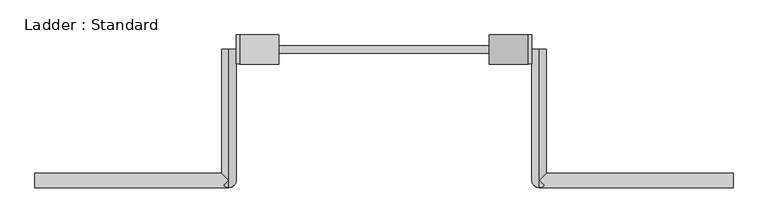
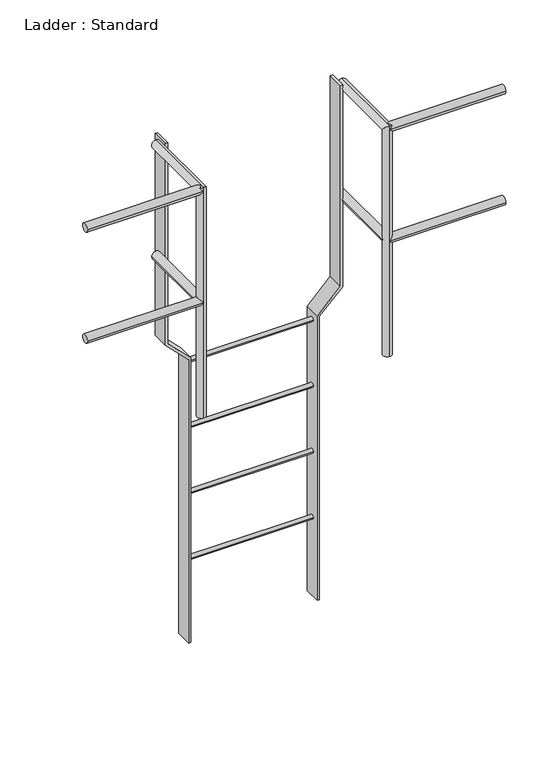
"""IFC4 building model written with IfcOpenShell, lengths in millimetres: proxy geometry, Ladder : Standard."""

from ifc_helpers import new_model, si_unit, point, frame, frame_2d, origin, place, context, project, spatial, polyline, circle_curve, ellipse_curve, trimmed, segment, composite_curve, outline, extrude, source, transform, mapped, element, save
from ifc_brep_helpers import plane_surface, cylinder_surface, advanced_brep


def ladder_standard_509f3155(model_context):
    return source(origin(), model_context, "Body", "SolidModel", [
        extrude(outline(composite_curve([segment(trimmed(circle_curve(frame_2d((342.9, -914.4)), 9.525), [point((333.375, -914.4))], [point((352.425, -914.4))], False, "CARTESIAN"), True, "CONTINUOUS"), segment(trimmed(circle_curve(frame_2d((342.9, -914.4)), 9.525), [point((352.425, -914.4))], [point((333.375, -914.4))], False, "CARTESIAN"), True, "CONTINUOUS")], self_intersect=False)), frame((-276.3329351, 0.0, 0.0), z_axis=(1.0, 0.0, 0.0), x_axis=(0.0, 1.0, 0.0)), (0.0, 0.0, 1.0), 552.6658703),
        extrude(outline(composite_curve([segment(trimmed(circle_curve(frame_2d((342.9, -609.6)), 9.525), [point((333.375, -609.6))], [point((352.425, -609.6))], False, "CARTESIAN"), True, "CONTINUOUS"), segment(trimmed(circle_curve(frame_2d((342.9, -609.6)), 9.525), [point((352.425, -609.6))], [point((333.375, -609.6))], False, "CARTESIAN"), True, "CONTINUOUS")], self_intersect=False)), frame((-276.3329351, 0.0, 0.0), z_axis=(1.0, 0.0, 0.0), x_axis=(0.0, 1.0, 0.0)), (0.0, 0.0, 1.0), 552.6658703),
        extrude(outline(composite_curve([segment(trimmed(circle_curve(frame_2d((342.9, -304.8)), 9.525), [point((333.375, -304.8))], [point((352.425, -304.8))], False, "CARTESIAN"), True, "CONTINUOUS"), segment(trimmed(circle_curve(frame_2d((342.9, -304.8)), 9.525), [point((352.425, -304.8))], [point((333.375, -304.8))], False, "CARTESIAN"), True, "CONTINUOUS")], self_intersect=False)), frame((-276.3329351, 0.0, 0.0), z_axis=(1.0, 0.0, 0.0), x_axis=(0.0, 1.0, 0.0)), (0.0, 0.0, 1.0), 552.6658703),
        extrude(outline(composite_curve([segment(trimmed(circle_curve(frame_2d((342.9, 0.0)), 9.525), [point((333.375, 0.0))], [point((352.425, 0.0))], False, "CARTESIAN"), True, "CONTINUOUS"), segment(trimmed(circle_curve(frame_2d((342.9, 0.0)), 9.525), [point((352.425, 0.0))], [point((333.375, 0.0))], False, "CARTESIAN"), True, "CONTINUOUS")], self_intersect=False)), frame((-276.3329351, 0.0, 0.0), z_axis=(1.0, 0.0, 0.0), x_axis=(0.0, 1.0, 0.0)), (0.0, 0.0, 1.0), 552.6658703),
        advanced_brep(
        [(387.4579351, 342.9, 533.4), (425.5579351, 342.9, 533.4), (425.5579351, 19.05, 533.4), (419.9783193, 13.4703842, 519.9296158), (406.5079351, 19.05, 514.35), (387.4579351, 0.0, 533.4), (406.5079351, 19.05, 552.45), (419.9783193, 13.4703842, 546.8703842), (914.5079351, -19.05, 533.4), (914.5079351, 19.05, 533.4), (406.5079351, -19.05, 533.4), (406.5079351, 19.05, 0.0), (406.5079351, -19.05, 0.0), (406.5079351, 19.05, 1028.7), (419.9783193, 13.4703842, 1034.2796158), (406.5079351, -19.05, 1047.75), (419.9783193, -13.4703842, 1061.2203842), (406.5079351, -19.05, 1066.8), (406.5079351, 342.9, 1028.7), (406.5079351, 342.9, 1066.8), (406.5079351, 0.0, 1066.8), (425.5579351, 19.05, 1047.75), (914.5079351, -19.05, 1047.75), (914.5079351, 19.05, 1047.75)],
        [
            (0, 1, circle_curve(frame((406.5079351, 342.9, 533.4), z_axis=(0.0, 1.0, 0.0), x_axis=(1.0, 0.0, 0.0)), 19.05)),
            (1, 0, circle_curve(frame((406.5079351, 342.9, 533.4), z_axis=(0.0, 1.0, 0.0), x_axis=(1.0, 0.0, 0.0)), 19.05)),
            (1, 2),
            (2, 3, ellipse_curve(frame((406.5079351, 0.0, 533.4), z_axis=(-0.7071067811865459, 0.7071067811865492, 0.0), x_axis=(-0.7071067811865492, -0.7071067811865457, 0.0)), 26.9407684, 19.05)),
            (3, 4, ellipse_curve(frame((406.5079351, 0.0, 533.4), z_axis=(0.0, 0.7071067811865475, 0.7071067811865475), x_axis=(0.0, -0.7071067811865476, 0.7071067811865474)), 26.9407684, 19.05)),
            (4, 5, ellipse_curve(frame((406.5079351, 0.0, 533.4), z_axis=(0.0, 0.7071067811865475, 0.7071067811865475), x_axis=(0.0, -0.7071067811865476, 0.7071067811865474)), 26.9407684, 19.05)),
            (5, 0),
            (5, 6, ellipse_curve(frame((406.5079351, 0.0, 533.4), z_axis=(0.0, 0.7071067811865475, -0.7071067811865475), x_axis=(0.0, -0.7071067811865476, -0.7071067811865474)), 26.9407684, 19.05)),
            (6, 7, ellipse_curve(frame((406.5079351, 0.0, 533.4), z_axis=(0.0, 0.7071067811865475, -0.7071067811865475), x_axis=(0.0, -0.7071067811865476, -0.7071067811865474)), 26.9407684, 19.05)),
            (7, 2, ellipse_curve(frame((406.5079351, 0.0, 533.4), z_axis=(-0.7071067811865459, 0.7071067811865492, 0.0), x_axis=(-0.7071067811865492, -0.7071067811865457, 0.0)), 26.9407684, 19.05)),
            (8, 9, circle_curve(frame((914.5079351, 0.0, 533.4), z_axis=(1.0, 0.0, 0.0), x_axis=(0.0, 1.0, 0.0)), 19.05)),
            (9, 8, circle_curve(frame((914.5079351, 0.0, 533.4), z_axis=(1.0, 0.0, 0.0), x_axis=(0.0, 1.0, 0.0)), 19.05)),
            (8, 10),
            (10, 3, ellipse_curve(frame((406.5079351, 0.0, 533.4), z_axis=(0.7071067811865475, 0.0, 0.7071067811865476), x_axis=(0.7071067811865476, 0.0, -0.7071067811865474)), 26.9407684, 19.05)),
            (2, 9),
            (7, 10, ellipse_curve(frame((406.5079351, 0.0, 533.4), z_axis=(0.7071067811865476, 0.0, -0.7071067811865475), x_axis=(0.7071067811865474, 0.0, 0.7071067811865476)), 26.9407684, 19.05)),
            (11, 12, circle_curve(frame((406.5079351, 0.0, 0.0), z_axis=(0.0, 0.0, -1.0), x_axis=(0.0, -1.0, 0.0)), 19.05)),
            (12, 11, circle_curve(frame((406.5079351, 0.0, 0.0), z_axis=(0.0, 0.0, -1.0), x_axis=(0.0, -1.0, 0.0)), 19.05)),
            (11, 4),
            (10, 12),
            (6, 13),
            (13, 14, ellipse_curve(frame((406.5079351, 0.0, 1047.75), z_axis=(0.0, -0.7071067811865475, -0.7071067811865475), x_axis=(0.0, 0.7071067811865474, -0.7071067811865476)), 26.9407684, 19.05)),
            (14, 15, ellipse_curve(frame((406.5079351, 0.0, 1047.75), z_axis=(-0.7071067811865475, 0.0, -0.7071067811865476), x_axis=(0.7071067811865476, 0.0, -0.7071067811865474)), 26.9407684, 19.05)),
            (15, 10),
            (16, 17, ellipse_curve(frame((406.5079351, 0.0, 1047.75), z_axis=(0.0, -0.7071067811865475, -0.7071067811865475), x_axis=(0.0, 0.7071067811865474, -0.7071067811865476)), 26.9407684, 19.05)),
            (17, 15),
            (15, 16, ellipse_curve(frame((406.5079351, 0.0, 1047.75), z_axis=(-0.7071067811865476, 0.0, 0.7071067811865475), x_axis=(-0.7071067811865474, 0.0, -0.7071067811865476)), 26.9407684, 19.05)),
            (17, 13, ellipse_curve(frame((406.5079351, 0.0, 1047.75), z_axis=(0.0, -0.7071067811865475, -0.7071067811865475), x_axis=(0.0, 0.7071067811865474, -0.7071067811865476)), 26.9407684, 19.05)),
            (18, 19, circle_curve(frame((406.5079351, 342.9, 1047.75), z_axis=(0.0, 1.0, 0.0), x_axis=(0.0, 0.0, 1.0)), 19.05)),
            (19, 18, circle_curve(frame((406.5079351, 342.9, 1047.75), z_axis=(0.0, 1.0, 0.0), x_axis=(0.0, 0.0, 1.0)), 19.05)),
            (16, 20, ellipse_curve(frame((406.5079351, 0.0, 1047.75), z_axis=(-0.7071067811865508, -0.7071067811865441, 0.0), x_axis=(0.7071067811865441, -0.7071067811865509, 0.0)), 26.9407684, 19.05)),
            (20, 17),
            (19, 20),
            (20, 21, ellipse_curve(frame((406.5079351, 0.0, 1047.75), z_axis=(-0.7071067811865441, 0.7071067811865508, 0.0), x_axis=(-0.7071067811865507, -0.7071067811865442, 0.0)), 26.9407684, 19.05)),
            (21, 14, ellipse_curve(frame((406.5079351, 0.0, 1047.75), z_axis=(-0.7071067811865441, 0.7071067811865508, 0.0), x_axis=(-0.7071067811865507, -0.7071067811865442, 0.0)), 26.9407684, 19.05)),
            (13, 18),
            (22, 23, circle_curve(frame((914.5079351, 0.0, 1047.75), z_axis=(1.0, 0.0, 0.0), x_axis=(0.0, 1.0, 0.0)), 19.05)),
            (23, 22, circle_curve(frame((914.5079351, 0.0, 1047.75), z_axis=(1.0, 0.0, 0.0), x_axis=(0.0, 1.0, 0.0)), 19.05)),
            (22, 15),
            (21, 23),
        ],
        [
            plane_surface(frame((425.5579351, 342.9, 533.4), z_axis=(0.0, 1.0, 0.0), x_axis=(0.0, 0.0, -1.0))),
            cylinder_surface(frame((406.5079351, 342.9, 533.4), z_axis=(0.0, -1.0, 0.0), x_axis=(1.0, 0.0, 0.0)), 19.05),
            plane_surface(frame((914.5079351, 19.05, 533.4), z_axis=(1.0, 0.0, 0.0), x_axis=(0.0, 0.0, 1.0))),
            cylinder_surface(frame((406.5079351, 0.0, 533.4), z_axis=(1.0, 0.0, 0.0), x_axis=(0.0, 1.0, 0.0)), 19.05),
            plane_surface(frame((0.0, 0.0, 0.0), z_axis=(0.0, 0.0, -1.0), x_axis=(1.0, 0.0, 0.0))),
            cylinder_surface(frame((406.5079351, 0.0, 0.0), z_axis=(0.0, 0.0, -1.0), x_axis=(0.0, -1.0, 0.0)), 19.05),
            plane_surface(frame((0.0, 342.9, 1047.75), z_axis=(0.0, 1.0, 0.0), x_axis=(1.0, 0.0, 0.0))),
            cylinder_surface(frame((406.5079351, 0.0, 1047.75), z_axis=(0.0, -1.0, 0.0), x_axis=(0.0, 0.0, 1.0)), 19.05),
            plane_surface(frame((914.5079351, 19.05, 1047.75), z_axis=(1.0, 0.0, 0.0), x_axis=(0.0, 0.0, 1.0))),
            cylinder_surface(frame((406.5079351, 0.0, 1047.75), z_axis=(1.0, 0.0, 0.0), x_axis=(0.0, 1.0, 0.0)), 19.05),
        ],
        [
            (0, [[1, 2]]),
            (1, [[-2, 3, 4, 5, 6, 7]]),
            (1, [[-1, -7, 8, 9, 10, -3]]),
            (2, [[11, 12]]),
            (3, [[-11, 13, 14, -4, 15]]),
            (3, [[-12, -15, -10, 16, -13]]),
            (4, [[17, 18]]),
            (5, [[-17, 19, -5, -14, 20]]),
            (5, [[21, 22, 23, 24, -16, -9]]),
            (5, [[25, 26, 27]]),
            (5, [[-18, -20, -24, -26, 28, -21, -8, -6, -19]]),
            (6, [[29, 30]]),
            (7, [[-25, 31, 32]]),
            (7, [[-30, 33, 34, 35, -22, 36]]),
            (7, [[-28, -32, -33, -29, -36]]),
            (8, [[37, 38]]),
            (9, [[-37, 39, -23, -35, 40]]),
            (9, [[-38, -40, -34, -31, -27, -39]]),
        ],
    ),
        advanced_brep(
        [(-914.5079351, -19.05, 533.4), (-914.5079351, 19.05, 533.4), (-425.5579351, 19.05, 533.4), (-419.9783193, 13.4703842, 519.9296158), (-406.5079351, -19.05, 533.4), (-419.9783193, 13.4703842, 546.8703842), (-425.5579351, 342.9, 533.4), (-387.4579351, 342.9, 533.4), (-387.4579351, 0.0, 533.4), (-406.5079351, 19.05, 514.35), (-406.5079351, 19.05, 552.45), (-406.5079351, 19.05, 0.0), (-406.5079351, -19.05, 0.0), (-406.5079351, 19.05, 1028.7), (-406.5079351, -19.05, 1066.8), (-406.5079351, -19.05, 1047.75), (-419.9783193, 13.4703842, 1034.2796158), (-419.9783193, -13.4703842, 1061.2203842), (-406.5079351, 342.9, 1028.7), (-406.5079351, 342.9, 1066.8), (-406.5079351, 0.0, 1066.8), (-425.5579351, 19.05, 1047.75), (-914.5079351, -19.05, 1047.75), (-914.5079351, 19.05, 1047.75)],
        [
            (0, 1, circle_curve(frame((-914.5079351, 0.0, 533.4), z_axis=(-1.0, 0.0, 0.0), x_axis=(0.0, 1.0, 0.0)), 19.05)),
            (1, 0, circle_curve(frame((-914.5079351, 0.0, 533.4), z_axis=(-1.0, 0.0, 0.0), x_axis=(0.0, 1.0, 0.0)), 19.05)),
            (1, 2),
            (2, 3, ellipse_curve(frame((-406.5079351, 0.0, 533.4), z_axis=(-0.7071067811865491, -0.7071067811865458, 0.0), x_axis=(0.7071067811865459, -0.707106781186549, 0.0)), 26.9407684, 19.05)),
            (3, 4, ellipse_curve(frame((-406.5079351, 0.0, 533.4), z_axis=(-0.7071067811865476, 0.0, 0.7071067811865475), x_axis=(0.7071067811865474, 0.0, 0.7071067811865476)), 26.9407684, 19.05)),
            (4, 0),
            (4, 5, ellipse_curve(frame((-406.5079351, 0.0, 533.4), z_axis=(-0.7071067811865475, 0.0, -0.7071067811865476), x_axis=(0.7071067811865476, 0.0, -0.7071067811865474)), 26.9407684, 19.05)),
            (5, 2, ellipse_curve(frame((-406.5079351, 0.0, 533.4), z_axis=(-0.7071067811865491, -0.7071067811865458, 0.0), x_axis=(0.7071067811865459, -0.707106781186549, 0.0)), 26.9407684, 19.05)),
            (6, 7, circle_curve(frame((-406.5079351, 342.9, 533.4), z_axis=(0.0, 1.0, 0.0), x_axis=(1.0, 0.0, 0.0)), 19.05)),
            (7, 6, circle_curve(frame((-406.5079351, 342.9, 533.4), z_axis=(0.0, 1.0, 0.0), x_axis=(1.0, 0.0, 0.0)), 19.05)),
            (7, 8),
            (8, 9, ellipse_curve(frame((-406.5079351, 0.0, 533.4), z_axis=(0.0, 0.7071067811865475, 0.7071067811865475), x_axis=(0.0, -0.7071067811865476, 0.7071067811865474)), 26.9407684, 19.05)),
            (9, 3, ellipse_curve(frame((-406.5079351, 0.0, 533.4), z_axis=(0.0, 0.7071067811865475, 0.7071067811865475), x_axis=(0.0, -0.7071067811865476, 0.7071067811865474)), 26.9407684, 19.05)),
            (2, 6),
            (5, 10, ellipse_curve(frame((-406.5079351, 0.0, 533.4), z_axis=(0.0, 0.7071067811865475, -0.7071067811865475), x_axis=(0.0, -0.7071067811865476, -0.7071067811865474)), 26.9407684, 19.05)),
            (10, 8, ellipse_curve(frame((-406.5079351, 0.0, 533.4), z_axis=(0.0, 0.7071067811865475, -0.7071067811865475), x_axis=(0.0, -0.7071067811865476, -0.7071067811865474)), 26.9407684, 19.05)),
            (11, 12, circle_curve(frame((-406.5079351, 0.0, 0.0), z_axis=(0.0, 0.0, -1.0), x_axis=(0.0, -1.0, 0.0)), 19.05)),
            (12, 11, circle_curve(frame((-406.5079351, 0.0, 0.0), z_axis=(0.0, 0.0, -1.0), x_axis=(0.0, -1.0, 0.0)), 19.05)),
            (11, 9),
            (10, 13),
            (13, 14, ellipse_curve(frame((-406.5079351, 0.0, 1047.75), z_axis=(0.0, -0.7071067811865475, -0.7071067811865475), x_axis=(0.0, 0.7071067811865474, -0.7071067811865476)), 26.9407684, 19.05)),
            (14, 15),
            (15, 4),
            (4, 12),
            (15, 16, ellipse_curve(frame((-406.5079351, 0.0, 1047.75), z_axis=(0.7071067811865476, 0.0, -0.7071067811865475), x_axis=(-0.7071067811865474, 0.0, -0.7071067811865476)), 26.9407684, 19.05)),
            (16, 13, ellipse_curve(frame((-406.5079351, 0.0, 1047.75), z_axis=(0.0, -0.7071067811865475, -0.7071067811865475), x_axis=(0.0, 0.7071067811865474, -0.7071067811865476)), 26.9407684, 19.05)),
            (14, 17, ellipse_curve(frame((-406.5079351, 0.0, 1047.75), z_axis=(0.0, -0.7071067811865475, -0.7071067811865475), x_axis=(0.0, 0.7071067811865474, -0.7071067811865476)), 26.9407684, 19.05)),
            (17, 15, ellipse_curve(frame((-406.5079351, 0.0, 1047.75), z_axis=(0.7071067811865475, 0.0, 0.7071067811865476), x_axis=(0.7071067811865476, 0.0, -0.7071067811865474)), 26.9407684, 19.05)),
            (18, 19, circle_curve(frame((-406.5079351, 342.9, 1047.75), z_axis=(0.0, 1.0, 0.0), x_axis=(0.0, 0.0, 1.0)), 19.05)),
            (19, 18, circle_curve(frame((-406.5079351, 342.9, 1047.75), z_axis=(0.0, 1.0, 0.0), x_axis=(0.0, 0.0, 1.0)), 19.05)),
            (13, 18),
            (19, 20),
            (20, 14),
            (20, 17, ellipse_curve(frame((-406.5079351, 0.0, 1047.75), z_axis=(0.7071067811865441, -0.7071067811865508, 0.0), x_axis=(-0.7071067811865507, -0.7071067811865442, 0.0)), 26.9407684, 19.05)),
            (16, 21, ellipse_curve(frame((-406.5079351, 0.0, 1047.75), z_axis=(0.7071067811865508, 0.7071067811865441, 0.0), x_axis=(0.7071067811865441, -0.7071067811865509, 0.0)), 26.9407684, 19.05)),
            (21, 20, ellipse_curve(frame((-406.5079351, 0.0, 1047.75), z_axis=(0.7071067811865508, 0.7071067811865441, 0.0), x_axis=(0.7071067811865441, -0.7071067811865509, 0.0)), 26.9407684, 19.05)),
            (22, 23, circle_curve(frame((-914.5079351, 0.0, 1047.75), z_axis=(-1.0, 0.0, 0.0), x_axis=(0.0, 1.0, 0.0)), 19.05)),
            (23, 22, circle_curve(frame((-914.5079351, 0.0, 1047.75), z_axis=(-1.0, 0.0, 0.0), x_axis=(0.0, 1.0, 0.0)), 19.05)),
            (23, 21),
            (15, 22),
        ],
        [
            plane_surface(frame((-914.5079351, 19.05, 533.4), z_axis=(-1.0, 0.0, 0.0), x_axis=(0.0, 0.0, -1.0))),
            cylinder_surface(frame((-914.5079351, 0.0, 533.4), z_axis=(1.0, 0.0, 0.0), x_axis=(0.0, 1.0, 0.0)), 19.05),
            plane_surface(frame((-387.4579351, 342.9, 533.4), z_axis=(0.0, 1.0, 0.0), x_axis=(0.0, 0.0, -1.0))),
            cylinder_surface(frame((-406.5079351, 342.9, 533.4), z_axis=(0.0, -1.0, 0.0), x_axis=(1.0, 0.0, 0.0)), 19.05),
            plane_surface(frame((0.0, 0.0, 0.0), z_axis=(0.0, 0.0, -1.0), x_axis=(1.0, 0.0, 0.0))),
            cylinder_surface(frame((-406.5079351, 0.0, 0.0), z_axis=(0.0, 0.0, -1.0), x_axis=(0.0, -1.0, 0.0)), 19.05),
            plane_surface(frame((0.0, 342.9, 1047.75), z_axis=(0.0, 1.0, 0.0), x_axis=(1.0, 0.0, 0.0))),
            cylinder_surface(frame((-406.5079351, 0.0, 1047.75), z_axis=(0.0, -1.0, 0.0), x_axis=(0.0, 0.0, 1.0)), 19.05),
            plane_surface(frame((-914.5079351, 19.05, 1047.75), z_axis=(-1.0, 0.0, 0.0), x_axis=(0.0, 0.0, -1.0))),
            cylinder_surface(frame((-914.5079351, 0.0, 1047.75), z_axis=(1.0, 0.0, 0.0), x_axis=(0.0, 1.0, 0.0)), 19.05),
        ],
        [
            (0, [[1, 2]]),
            (1, [[-2, 3, 4, 5, 6]]),
            (1, [[-1, -6, 7, 8, -3]]),
            (2, [[9, 10]]),
            (3, [[-10, 11, 12, 13, -4, 14]]),
            (3, [[-9, -14, -8, 15, 16, -11]]),
            (4, [[17, 18]]),
            (5, [[-17, 19, -12, -16, 20, 21, 22, 23, 24]]),
            (5, [[-18, -24, -5, -13, -19]]),
            (5, [[-20, -15, -7, -23, 25, 26]]),
            (5, [[27, 28, -22]]),
            (6, [[29, 30]]),
            (7, [[-21, 31, -30, 32, 33]]),
            (7, [[-27, -33, 34]]),
            (7, [[-29, -31, -26, 35, 36, -32]]),
            (8, [[37, 38]]),
            (9, [[-38, 39, -35, -25, 40]]),
            (9, [[-37, -40, -28, -34, -36, -39]]),
        ],
    ),
        extrude(outline(polyline([(1066.8, -387.4579351), (133.35, -387.4579351), (31.75, -285.8579351), (-1279.5743936, -285.8579351), (-1279.5743936, -276.3329351), (35.6953842, -276.3329351), (137.2953842, -377.9329351), (1066.8, -377.9329351), (1066.8, -387.4579351)])), frame((0.0, 304.8, 0.0), z_axis=(0.0, 1.0, 0.0), x_axis=(0.0, 0.0, 1.0)), (0.0, 0.0, 1.0), 76.2),
        extrude(outline(polyline([(1066.8, 377.9329351), (137.2953842, 377.9329351), (35.6953842, 276.3329351), (-1279.5743936, 276.3329351), (-1279.5743936, 285.8579351), (31.75, 285.8579351), (133.35, 387.4579351), (1066.8, 387.4579351), (1066.8, 377.9329351)])), frame((0.0, 304.8, 0.0), z_axis=(0.0, 1.0, 0.0), x_axis=(0.0, 0.0, 1.0)), (0.0, 0.0, 1.0), 76.2),
    ])


if __name__ == "__main__":
    model = new_model("IFC4")
    model_context = context("Model", 3, world=origin())
    ifc_project = project(units=[si_unit("LENGTHUNIT", "METRE", prefix="MILLI")], contexts=[model_context])
    site = spatial("IfcSite", under=ifc_project)
    building = spatial("IfcBuilding", under=site)
    placement = place(None, origin())
    ladder_standard_shape = ladder_standard_509f3155(model_context)
    element("IfcBuildingElementProxy", 1, Name="Ladder : Standard", ObjectType="Ladder : Standard", at=placement, inside=building, context=model_context, shape_type="MappedRepresentation", body=[
        mapped(ladder_standard_shape, transform((0.0, 0.0, 0.0), x_axis=(1.0, 0.0, 0.0), y_axis=(0.0, 1.0, 0.0), z_axis=(0.0, 0.0, 1.0))),
    ])
    save(model, "model.ifc")
